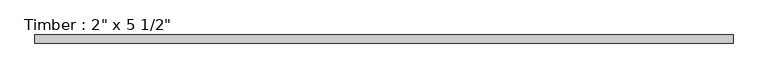
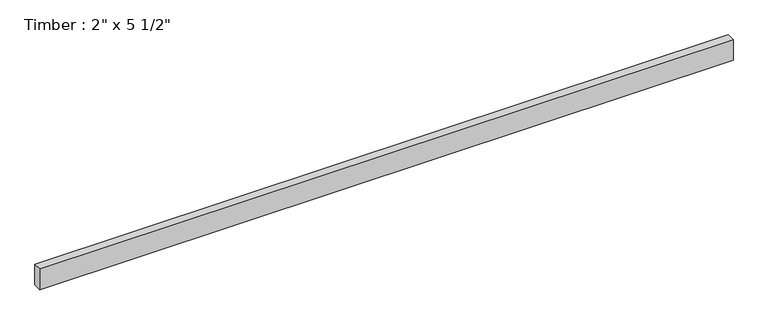
"""IFC4 building model written with IfcOpenShell, lengths in millimetres: beam geometry."""

from ifc_helpers import new_model, si_unit, frame, origin, place, context, project, spatial, polyline, outline, extrude, source, transform, mapped, element, save


def beam_884b53db(model_context):
    return source(origin(), model_context, "Body", "SweptSolid", [
        extrude(outline(polyline([(2190.7087758, 25.4), (2190.7087758, -25.4), (-2190.7087758, -25.4), (-2190.7087758, 25.4), (2190.7087758, 25.4)])), frame((0.0, 0.0, -69.85), z_axis=(0.0, 0.0, 1.0), x_axis=(1.0, 0.0, 0.0)), (0.0, 0.0, 1.0), 139.7),
    ])


if __name__ == "__main__":
    model = new_model("IFC4")
    model_context = context("Model", 3, world=origin())
    ifc_project = project(units=[si_unit("LENGTHUNIT", "METRE", prefix="MILLI")], contexts=[model_context])
    site = spatial("IfcSite", under=ifc_project)
    building = spatial("IfcBuilding", under=site)
    placement = place(None, origin())
    beam_shape = beam_884b53db(model_context)
    element("IfcBeam", 1, ObjectType="Timber : 2\" x 5 1/2\"", at=placement, inside=building, context=model_context, shape_type="MappedRepresentation", body=[
        mapped(beam_shape, transform((0.0, 0.0, 0.0), x_axis=(1.0, 0.0, 0.0), y_axis=(0.0, 1.0, 0.0), z_axis=(0.0, 0.0, 1.0))),
    ])
    save(model, "model.ifc")
